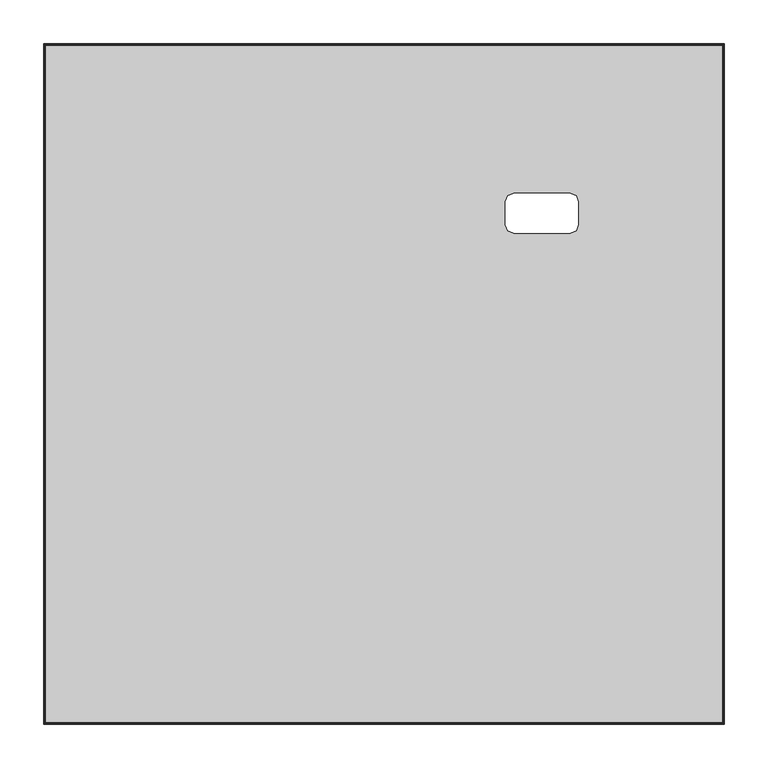
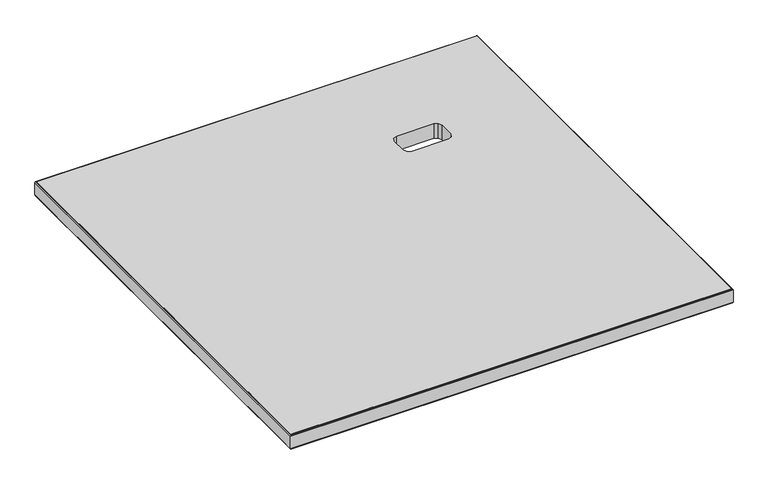
"""IFC4 building model written with IfcOpenShell, lengths in millimetres: furniture geometry."""

import ifcopenshell
import ifcopenshell.guid

model = None  # the IFC model being written
_history = None  # IfcOwnerHistory: only IFC2X3 demands one
_inside = {}  # id of a spatial element -> (the spatial element, [elements in it])
_under = {}  # id of a project, library or spatial element -> (it, [spatial elements below it])
_declared = {}  # id of a project -> (the project, [libraries it declares])
_typed = {}  # id of a type object -> (the type object, [elements of that type])
_made_of = {}  # id of a material, layer set ... -> (it, [elements and type objects made of it])


def new_model(schema):
    """Start an empty IFC model of exactly this schema.

    Asked for "IFC4X3", IfcOpenShell would pick the latest addendum, in which some entities
    have other attributes; the version numbers below select the first issue.
    IFC2X3 requires an IfcOwnerHistory on every rooted entity: one is made here for all.
    """
    global model, _history
    if schema == "IFC4X3":
        model = ifcopenshell.file(schema_version=(4, 3, 0, 0))
    else:
        model = ifcopenshell.file(schema=schema)
    _inside.clear()
    _under.clear()
    _declared.clear()
    _typed.clear()
    _made_of.clear()
    _history = None
    if model.schema == "IFC2X3":
        org = make("IfcOrganization", Name="unknown")
        user = make(
            "IfcPersonAndOrganization",
            ThePerson=make("IfcPerson", FamilyName="unknown"),
            TheOrganization=org,
        )
        app = make(
            "IfcApplication",
            ApplicationDeveloper=org,
            Version="unknown",
            ApplicationFullName="unknown",
            ApplicationIdentifier="unknown",
        )
        _history = make(
            "IfcOwnerHistory",
            OwningUser=user,
            OwningApplication=app,
            ChangeAction="ADDED",
            CreationDate=0,
        )
    return model


def make(cls, **values):
    """One entity of the class cls with the attributes given. An attribute that is None is left unset."""
    return model.create_entity(
        cls, **{name: value for name, value in values.items() if value is not None}
    )


def rooted(cls, **values):
    """An entity with a GlobalId (a new one), such as an element, a storey or a relation."""
    return make(cls, GlobalId=ifcopenshell.guid.new(), OwnerHistory=_history, **values)


def si_unit(unit_type, name, prefix=None):
    """IfcSIUnit, for example si_unit("LENGTHUNIT", "METRE", prefix="MILLI")."""
    return make("IfcSIUnit", UnitType=unit_type, Prefix=prefix, Name=name)


def assignment(units):
    """IfcUnitAssignment: the units of a project."""
    return None if units is None else make("IfcUnitAssignment", Units=units)


def point(xyz):
    """IfcCartesianPoint."""
    return None if xyz is None else make("IfcCartesianPoint", Coordinates=xyz)


def direction(xyz):
    """IfcDirection."""
    return None if xyz is None else make("IfcDirection", DirectionRatios=xyz)


def frame(location, z_axis=None, x_axis=None):
    """IfcAxis2Placement3D, a coordinate frame: its origin and axes. An axis left out is left unset."""
    return make(
        "IfcAxis2Placement3D",
        Location=point(location),
        Axis=direction(z_axis),
        RefDirection=direction(x_axis),
    )


def origin():
    """The frame at (0, 0, 0) with its axes left unset."""
    return frame((0.0, 0.0, 0.0))


def place(relative_to, where):
    """IfcLocalPlacement: puts the frame where relative to a parent placement (None: the world)."""
    return make(
        "IfcLocalPlacement", PlacementRelTo=relative_to, RelativePlacement=where
    )


def context(
    kind, dimensions, precision=None, world=None, true_north=None, identifier=None
):
    """IfcGeometricRepresentationContext, for example the 3D "Model" context."""
    return make(
        "IfcGeometricRepresentationContext",
        ContextIdentifier=identifier,
        ContextType=kind,
        CoordinateSpaceDimension=dimensions,
        Precision=precision,
        WorldCoordinateSystem=world,
        TrueNorth=true_north,
    )


def project(units=None, contexts=None):
    """IfcProject with its units and contexts."""
    return rooted(
        "IfcProject",
        Name="project",
        RepresentationContexts=contexts,
        UnitsInContext=assignment(units),
    )


def spatial(cls, under=None, at=None, **own):
    """A site, building, storey or space (cls), placed at a placement, below another one or the project."""
    s = rooted(cls, ObjectPlacement=at, **own)
    if under is not None:
        _under.setdefault(under.id(), (under, []))[1].append(s)
    return s


def polyline(points):
    """IfcPolyline through the points."""
    return make("IfcPolyline", Points=[point(p) for p in points])


def outline(outer, holes=None, kind="AREA"):
    """IfcArbitraryClosedProfileDef: a profile drawn as a closed curve; with holes, ...WithVoids."""
    if holes is None:
        return make("IfcArbitraryClosedProfileDef", ProfileType=kind, OuterCurve=outer)
    return make(
        "IfcArbitraryProfileDefWithVoids",
        ProfileType=kind,
        OuterCurve=outer,
        InnerCurves=holes,
    )


def extrude(swept, where, along, depth):
    """IfcExtrudedAreaSolid: the profile swept, set in the frame where, extruded along a direction by depth."""
    return make(
        "IfcExtrudedAreaSolid",
        SweptArea=swept,
        Position=where,
        ExtrudedDirection=direction(along),
        Depth=depth,
    )


def faces_of(points, faces, orient=None, outer=None):
    """IfcFace entities. A face is a list of loops; a loop is a list of indices into points, from 0.

    orient and outer hold one flag for each loop. By default every Orientation is true, the
    first loop of a face is its IfcFaceOuterBound and the others are IfcFaceBound.
    """
    made = []
    for i, loops in enumerate(faces):
        bounds = []
        for j, loop in enumerate(loops):
            is_outer = j == 0 if outer is None else outer[i][j]
            bounds.append(
                make(
                    "IfcFaceOuterBound" if is_outer else "IfcFaceBound",
                    Bound=make("IfcPolyLoop", Polygon=[points[k] for k in loop]),
                    Orientation=True if orient is None else orient[i][j],
                )
            )
        made.append(make("IfcFace", Bounds=bounds))
    return made


def faceted_brep(points, faces, orient=None, outer=None, voids=None):
    """IfcFacetedBrep: a solid bounded by flat faces; with voids (closed shells), ...WithVoids."""
    shared = [point(p) for p in points]
    hull = make("IfcClosedShell", CfsFaces=faces_of(shared, faces, orient, outer))
    if voids is None:
        return make("IfcFacetedBrep", Outer=hull)
    return make(
        "IfcFacetedBrepWithVoids",
        Outer=hull,
        Voids=[
            make(cls, CfsFaces=faces_of(shared, fs, o, b)) for cls, fs, o, b in voids
        ],
    )


def shape(context_of_items, identifier, shape_type, items):
    """IfcShapeRepresentation: the items that make up one representation, for example the "Body"."""
    return make(
        "IfcShapeRepresentation",
        ContextOfItems=context_of_items,
        RepresentationIdentifier=identifier,
        RepresentationType=shape_type,
        Items=items,
    )


def source(mapping_origin, context_of_items, identifier, shape_type, items):
    """IfcRepresentationMap: a shape defined once, which mapped items show again and again."""
    return make(
        "IfcRepresentationMap",
        MappingOrigin=mapping_origin,
        MappedRepresentation=shape(context_of_items, identifier, shape_type, items),
    )


def transform(
    local_origin,
    x_axis=None,
    y_axis=None,
    z_axis=None,
    scale=None,
    scale2=None,
    scale3=None,
    uniform=True,
):
    """IfcCartesianTransformationOperator3D, or its non-uniform kind. x_axis, y_axis, z_axis: its Axis1, 2, 3."""
    if uniform:
        return make(
            "IfcCartesianTransformationOperator3D",
            Axis1=direction(x_axis),
            Axis2=direction(y_axis),
            LocalOrigin=point(local_origin),
            Scale=scale,
            Axis3=direction(z_axis),
        )
    return make(
        "IfcCartesianTransformationOperator3DnonUniform",
        Axis1=direction(x_axis),
        Axis2=direction(y_axis),
        LocalOrigin=point(local_origin),
        Scale=scale,
        Axis3=direction(z_axis),
        Scale2=scale2,
        Scale3=scale3,
    )


def mapped(mapping_source, mapping_target):
    """IfcMappedItem: shows the shape of a source again, moved by a transform."""
    return make(
        "IfcMappedItem", MappingSource=mapping_source, MappingTarget=mapping_target
    )


def made_of(thing, what):
    """Note that an element or type object is made of a material, layer set ...; save() writes the relation."""
    if what is not None:
        _made_of.setdefault(what.id(), (what, []))[1].append(thing)
    return thing


def element(
    cls,
    number,
    at=None,
    inside=None,
    cuts=None,
    type_object=None,
    material=None,
    context=None,
    identifier="Body",
    shape_type=None,
    held_by="IfcProductDefinitionShape",
    body=None,
    shapes=None,
    **own,
):
    """One element of the class cls, such as IfcWall. Its Tag is "e" and its number.

    at: its placement. inside: the storey or other place that contains it. cuts: it is an
    opening in that element (IfcRelVoidsElement). A single representation is given by context,
    identifier, shape_type and body (its items); several are given by shapes. held_by: the class
    of the entity that holds the representations. save() writes the other relations.
    """
    e = rooted(cls, Tag="e%d" % number, ObjectPlacement=at, **own)
    if body is not None:
        shapes = [shape(context, identifier, shape_type, body)]
    if shapes is not None:
        e.Representation = make(held_by, Representations=shapes)
    if inside is not None:
        _inside.setdefault(inside.id(), (inside, []))[1].append(e)
    if cuts is not None:
        rooted(
            "IfcRelVoidsElement", RelatingBuildingElement=cuts, RelatedOpeningElement=e
        )
    if type_object is not None:
        _typed.setdefault(type_object.id(), (type_object, []))[1].append(e)
    return made_of(e, material)


def aggregate(whole, parts):
    """IfcRelAggregates: a whole, such as a stair, and the parts it consists of."""
    return rooted("IfcRelAggregates", RelatingObject=whole, RelatedObjects=parts)


def save(model, path):
    """Write the relations noted so far, then the file.

    IfcRelAggregates (storeys below a building ...), IfcRelContainedInSpatialStructure (elements
    in a storey), IfcRelDefinesByType, IfcRelAssociatesMaterial and IfcRelDeclares: one each for
    every whole, place, type object, material and project.
    """
    for whole, parts in _under.values():
        aggregate(whole, parts)
    for where, things in _inside.values():
        rooted(
            "IfcRelContainedInSpatialStructure",
            RelatedElements=things,
            RelatingStructure=where,
        )
    for kind, things in _typed.values():
        rooted("IfcRelDefinesByType", RelatedObjects=things, RelatingType=kind)
    for what, things in _made_of.values():
        rooted("IfcRelAssociatesMaterial", RelatedObjects=things, RelatingMaterial=what)
    for by, libraries in _declared.values():
        rooted("IfcRelDeclares", RelatingContext=by, RelatedDefinitions=libraries)
    model.write(path)


def furniture_d50e11eb(model_context):
    return source(origin(), model_context, "Body", "SolidModel", [
        extrude(outline(polyline([(-53.4349969, 773.8938234), (-53.4349969, 2.177796), (-825.1509418, 2.177796), (-825.1509418, 773.8938234), (-53.4349969, 773.8938234)]), holes=[polyline([(-227.0733741, 605.2778074), (-291.5793456, 605.2778074), (-298.3181008, 602.4865236), (-301.109371, 595.7478012), (-301.109371, 569.3417908), (-298.3181008, 562.6030684), (-291.5793739, 559.8117963), (-227.0733725, 559.8117963), (-220.3346456, 562.6030684), (-217.543378, 569.3417843), (-217.543378, 595.7477932), (-220.3346502, 602.486517), (-227.0733741, 605.2778074)])]), frame((0.0, 0.0, 711.1999864), z_axis=(0.0, 0.0, 1.0), x_axis=(1.0, 0.0, 0.0)), (0.0, 0.0, 1.0), 26.924),
        faceted_brep([(-52.0207846, 775.3080358, 737.5381937), (-51.4349964, 775.893824, 736.1240358), (-827.1509424, 775.893824, 736.1240358), (-826.5651542, 775.3080358, 737.5381937), (-53.4349969, 773.8938234, 738.1239864), (-825.1509418, 773.8938234, 738.1239864), (-53.4349969, 773.8938234, 711.1999864), (-825.1509418, 773.8938234, 711.1999864), (-52.0207846, 775.3080358, 711.7857792), (-826.5651542, 775.3080358, 711.7857792), (-51.4349964, 775.893824, 713.2000097), (-827.1509424, 775.893824, 713.2000097), (-827.1509424, 0.1777955, 736.1240358), (-826.5651542, 0.7635837, 737.5381937), (-825.1509418, 2.177796, 738.1239864), (-825.1509418, 2.177796, 711.1999864), (-826.5651542, 0.7635837, 711.7857792), (-827.1509424, 0.1777955, 713.2000097), (-51.4349964, 0.1777955, 736.1240358), (-52.0207846, 0.7635837, 737.5381937), (-53.4349969, 2.177796, 738.1239864), (-53.4349969, 2.177796, 711.1999864), (-52.0207846, 0.7635837, 711.7857792), (-51.4349964, 0.1777955, 713.2000097)], [[[0, 1, 2, 3]], [[4, 0, 3, 5]], [[6, 4, 5, 7]], [[8, 6, 7, 9]], [[10, 8, 9, 11]], [[1, 10, 11, 2]], [[3, 2, 12, 13]], [[5, 3, 13, 14]], [[7, 5, 14, 15]], [[9, 7, 15, 16]], [[11, 9, 16, 17]], [[2, 11, 17, 12]], [[13, 12, 18, 19]], [[14, 13, 19, 20]], [[15, 14, 20, 21]], [[16, 15, 21, 22]], [[17, 16, 22, 23]], [[12, 17, 23, 18]], [[19, 18, 1, 0]], [[20, 19, 0, 4]], [[21, 20, 4, 6]], [[22, 21, 6, 8]], [[23, 22, 8, 10]], [[18, 23, 10, 1]]]),
    ])


if __name__ == "__main__":
    model = new_model("IFC4")
    model_context = context("Model", 3, world=origin())
    ifc_project = project(units=[si_unit("LENGTHUNIT", "METRE", prefix="MILLI")], contexts=[model_context])
    site = spatial("IfcSite", under=ifc_project)
    building = spatial("IfcBuilding", under=site)
    placement = place(None, origin())
    furniture_shape = furniture_d50e11eb(model_context)
    element("IfcFurniture", 1, at=placement, inside=building, context=model_context, shape_type="MappedRepresentation", body=[
        mapped(furniture_shape, transform((0.0, 0.0, 0.0), x_axis=(1.0, 0.0, 0.0), y_axis=(0.0, 1.0, 0.0), z_axis=(0.0, 0.0, 1.0))),
    ])
    save(model, "model.ifc")
